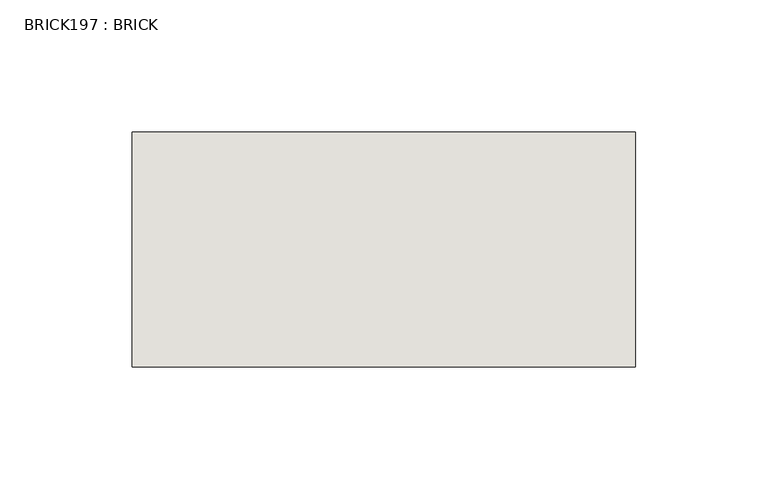
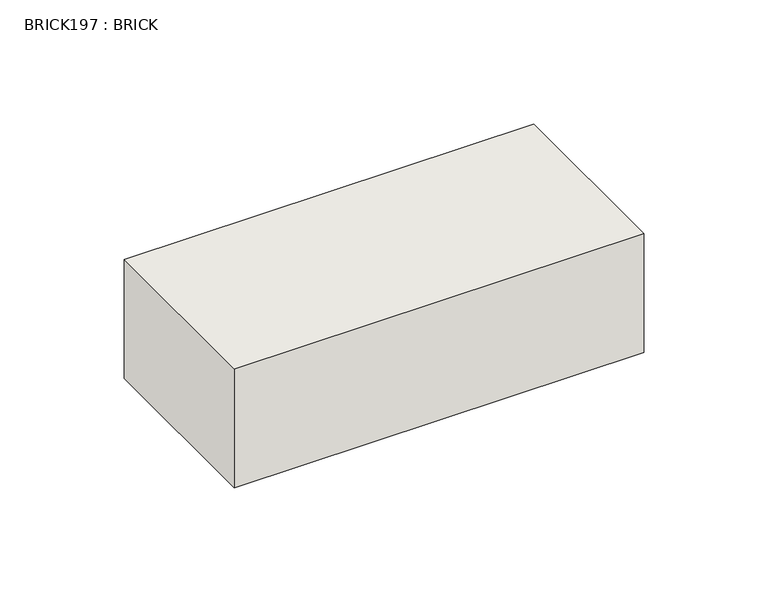
"""IFC4 building model written with IfcOpenShell, lengths in millimetres: wall geometry, BRICK197 : BRICK."""

from ifc_helpers import new_model, si_unit, frame, origin, place, context, project, spatial, polyline, outline, extrude, source, transform, mapped, element, save


def brick197_brick_3db39b8b(model_context):
    return source(origin(), model_context, "Body", "SweptSolid", [
        extrude(outline(polyline([(-768.7316239, 3062.3923312), (-578.2316239, 3062.3923312), (-578.2316239, 2973.4923312), (-768.7316239, 2973.4923312), (-768.7316239, 3062.3923312)])), frame((0.0, 0.0, 214.0148438), z_axis=(0.0, 0.0, 1.0), x_axis=(1.0, 0.0, 0.0)), (0.0, 0.0, 1.0), 58.4398437),
    ])


if __name__ == "__main__":
    model = new_model("IFC4")
    model_context = context("Model", 3, world=origin())
    ifc_project = project(units=[si_unit("LENGTHUNIT", "METRE", prefix="MILLI")], contexts=[model_context])
    site = spatial("IfcSite", under=ifc_project)
    building = spatial("IfcBuilding", under=site)
    placement = place(None, origin())
    brick197_brick_shape = brick197_brick_3db39b8b(model_context)
    element("IfcWall", 1, ObjectType="BRICK197 : BRICK", at=placement, inside=building, context=model_context, shape_type="MappedRepresentation", body=[
        mapped(brick197_brick_shape, transform((0.0, 0.0, 0.0), x_axis=(1.0, 0.0, 0.0), y_axis=(0.0, 1.0, 0.0), z_axis=(0.0, 0.0, 1.0))),
    ])
    save(model, "model.ifc")
